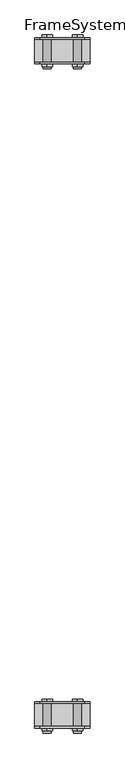
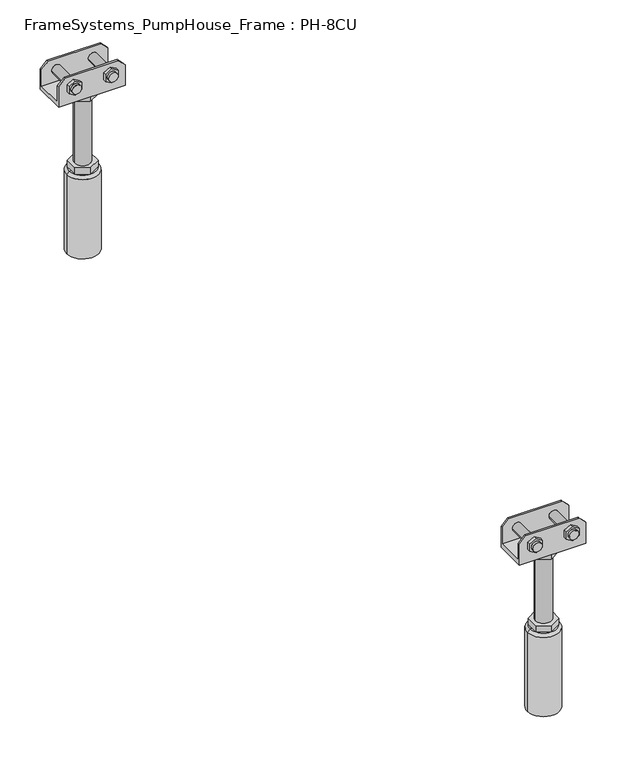
"""IFC4 building model written with IfcOpenShell, lengths in millimetres: beam geometry, FrameSystems_PumpHouse_Frame : PH-8CU."""

from ifc_helpers import new_model, si_unit, frame, origin, place, context, project, spatial, polyline, circle_curve, source, transform, mapped, element, save
from ifc_brep_helpers import plane_surface, cylinder_surface, revolved_surface, advanced_brep


def framesystems_pumphouse_frame_ph_8cu_9db55b4e(model_context):
    return source(origin(), model_context, "Body", "AdvancedBrep", [
        advanced_brep(
        [(1240.0, 1179.25, 316.0), (1250.0, 1179.25, 306.0), (1250.0, 1179.25, 280.0), (1150.0, 1179.25, 280.0), (1150.0, 1179.25, 306.0), (1160.0, 1179.25, 316.0), (1234.5, 1179.25, 299.0), (1220.5, 1179.25, 299.0), (1179.5, 1179.25, 299.0), (1165.5, 1179.25, 299.0), (1240.0, 1176.25, 316.0), (1160.0, 1176.25, 316.0), (1150.0, 1176.25, 306.0), (1150.0, 1176.25, 273.0), (1250.0, 1176.25, 273.0), (1250.0, 1176.25, 306.0), (1217.9194511, 1176.25, 293.4686675), (1217.9194511, 1176.25, 304.5313325), (1227.5, 1176.25, 310.062665), (1237.0805489, 1176.25, 304.5313325), (1237.0805489, 1176.25, 293.4686675), (1227.5, 1176.25, 287.937335), (1162.9194511, 1176.25, 293.4686675), (1162.9194511, 1176.25, 304.5313325), (1172.5, 1176.25, 310.062665), (1182.0805489, 1176.25, 304.5313325), (1182.0805489, 1176.25, 293.4686675), (1172.5, 1176.25, 287.937335), (1240.0, 1223.653247, 316.0), (1250.0, 1223.653247, 306.0), (1250.0, 1223.653247, 273.0), (1150.0, 1223.653247, 273.0), (1150.0, 1223.653247, 306.0), (1160.0, 1223.653247, 316.0), (1237.0805489, 1223.653247, 304.5313325), (1227.5, 1223.653247, 310.062665), (1217.9194511, 1223.653247, 304.5313325), (1217.9194511, 1223.653247, 293.4686675), (1227.5, 1223.653247, 287.937335), (1237.0805489, 1223.653247, 293.4686675), (1182.0805489, 1223.653247, 304.5313325), (1172.5, 1223.653247, 310.062665), (1162.9194511, 1223.653247, 304.5313325), (1162.9194511, 1223.653247, 293.4686675), (1172.5, 1223.653247, 287.937335), (1182.0805489, 1223.653247, 293.4686675), (1150.0, 1220.75, 280.0), (1150.0, 1220.75, 306.0), (1250.0, 1220.75, 280.0), (1250.0, 1220.75, 306.0), (1240.0, 1220.75, 316.0), (1160.0, 1220.75, 316.0), (1220.5, 1220.75, 299.0), (1234.5, 1220.75, 299.0), (1165.5, 1220.75, 299.0), (1179.5, 1220.75, 299.0), (1182.6794919, 1210.0, 273.0), (1182.6794919, 1190.0, 273.0), (1200.0, 1180.0, 273.0), (1217.3205081, 1190.0, 273.0), (1217.3205081, 1210.0, 273.0), (1200.0, 1220.0, 273.0), (1220.5, 1167.3051094, 299.0), (1234.5, 1167.3051094, 299.0), (1165.5, 1167.3051094, 299.0), (1179.5, 1167.3051094, 299.0), (1234.5, 1171.25, 299.0), (1220.5, 1171.25, 299.0), (1179.5, 1171.25, 299.0), (1165.5, 1171.25, 299.0), (1227.5, 1228.653247, 310.062665), (1237.0805489, 1228.653247, 304.5313325), (1237.0805489, 1228.653247, 293.4686675), (1227.5, 1228.653247, 287.937335), (1217.9194511, 1228.653247, 293.4686675), (1217.9194511, 1228.653247, 304.5313325), (1172.5, 1228.653247, 310.062665), (1182.0805489, 1228.653247, 304.5313325), (1182.0805489, 1228.653247, 293.4686675), (1172.5, 1228.653247, 287.937335), (1162.9194511, 1228.653247, 293.4686675), (1162.9194511, 1228.653247, 304.5313325), (1188.0, 1200.0, 263.0), (1188.0, 1200.0, 157.0), (1212.0, 1200.0, 157.0), (1212.0, 1200.0, 263.0), (1182.6794919, 1210.0, 263.0), (1200.0, 1220.0, 263.0), (1217.3205081, 1210.0, 263.0), (1217.3205081, 1190.0, 263.0), (1200.0, 1180.0, 263.0), (1182.6794919, 1190.0, 263.0), (1182.6794919, 1210.0, 157.0), (1182.6794919, 1190.0, 157.0), (1200.0, 1180.0, 157.0), (1217.3205081, 1190.0, 157.0), (1217.3205081, 1210.0, 157.0), (1200.0, 1220.0, 157.0), (1182.6794919, 1210.0, 147.0), (1182.6794919, 1200.0, 147.0), (1182.6794919, 1190.0, 147.0), (1200.0, 1180.0, 147.0), (1217.3205081, 1190.0, 147.0), (1217.3205081, 1200.0, 147.0), (1217.3205081, 1210.0, 147.0), (1200.0, 1220.0, 147.0), (1180.0, 1200.0, 147.0), (1220.0, 1200.0, 147.0), (1224.0, 1200.0, 143.0), (1176.0, 1200.0, 143.0), (1224.0, 1200.0, 17.0), (1176.0, 1200.0, 17.0), (1200.0, 1200.0, 17.0), (1217.9194511, 1171.25, 304.5313325), (1217.9194511, 1171.25, 293.4686675), (1227.5, 1171.25, 287.937335), (1237.0805489, 1171.25, 293.4686675), (1237.0805489, 1171.25, 304.5313325), (1227.5, 1171.25, 310.062665), (1162.9194511, 1171.25, 304.5313325), (1162.9194511, 1171.25, 293.4686675), (1172.5, 1171.25, 287.937335), (1182.0805489, 1171.25, 293.4686675), (1182.0805489, 1171.25, 304.5313325), (1172.5, 1171.25, 310.062665)],
        [
            (0, 1),
            (1, 2),
            (2, 3),
            (3, 4),
            (4, 5),
            (5, 0),
            (6, 7, circle_curve(frame((1227.5, 1179.25, 299.0), z_axis=(0.0, -1.0, 0.0), x_axis=(-1.0, 0.0, 0.0)), 7.0)),
            (7, 6, circle_curve(frame((1227.5, 1179.25, 299.0), z_axis=(0.0, -1.0, 0.0), x_axis=(-1.0, 0.0, 0.0)), 7.0)),
            (8, 9, circle_curve(frame((1172.5, 1179.25, 299.0), z_axis=(0.0, -1.0, 0.0), x_axis=(-1.0, 0.0, 0.0)), 7.0)),
            (9, 8, circle_curve(frame((1172.5, 1179.25, 299.0), z_axis=(0.0, -1.0, 0.0), x_axis=(-1.0, 0.0, 0.0)), 7.0)),
            (10, 11),
            (11, 12),
            (12, 13),
            (13, 14),
            (14, 15),
            (15, 10),
            (16, 17),
            (17, 18),
            (18, 19),
            (19, 20),
            (20, 21),
            (21, 16),
            (22, 23),
            (23, 24),
            (24, 25),
            (25, 26),
            (26, 27),
            (27, 22),
            (5, 11),
            (10, 0),
            (4, 12),
            (15, 1),
            (28, 29),
            (29, 30),
            (30, 31),
            (31, 32),
            (32, 33),
            (33, 28),
            (34, 35),
            (35, 36),
            (36, 37),
            (37, 38),
            (38, 39),
            (39, 34),
            (40, 41),
            (41, 42),
            (42, 43),
            (43, 44),
            (44, 45),
            (45, 40),
            (46, 47),
            (47, 32),
            (31, 13),
            (3, 46),
            (46, 48),
            (48, 49),
            (49, 50),
            (50, 51),
            (51, 47),
            (52, 53, circle_curve(frame((1227.5, 1220.75, 299.0), z_axis=(0.0, 1.0, 0.0), x_axis=(-1.0, 0.0, 0.0)), 7.0)),
            (53, 52, circle_curve(frame((1227.5, 1220.75, 299.0), z_axis=(0.0, 1.0, 0.0), x_axis=(-1.0, 0.0, 0.0)), 7.0)),
            (54, 55, circle_curve(frame((1172.5, 1220.75, 299.0), z_axis=(0.0, 1.0, 0.0), x_axis=(-1.0, 0.0, 0.0)), 7.0)),
            (55, 54, circle_curve(frame((1172.5, 1220.75, 299.0), z_axis=(0.0, 1.0, 0.0), x_axis=(-1.0, 0.0, 0.0)), 7.0)),
            (48, 2),
            (14, 30),
            (29, 49),
            (50, 28),
            (33, 51),
            (56, 57),
            (57, 58),
            (58, 59),
            (59, 60),
            (60, 61),
            (61, 56),
            (62, 63, circle_curve(frame((1227.5, 1167.3051094, 299.0), z_axis=(0.0, -1.0, 0.0), x_axis=(-1.0, 0.0, 0.0)), 7.0)),
            (63, 62, circle_curve(frame((1227.5, 1167.3051094, 299.0), z_axis=(0.0, -1.0, 0.0), x_axis=(-1.0, 0.0, 0.0)), 7.0)),
            (64, 65, circle_curve(frame((1172.5, 1167.3051094, 299.0), z_axis=(0.0, -1.0, 0.0), x_axis=(-1.0, 0.0, 0.0)), 7.0)),
            (65, 64, circle_curve(frame((1172.5, 1167.3051094, 299.0), z_axis=(0.0, -1.0, 0.0), x_axis=(-1.0, 0.0, 0.0)), 7.0)),
            (63, 66),
            (66, 67, circle_curve(frame((1227.5, 1171.25, 299.0), z_axis=(0.0, -1.0, 0.0), x_axis=(-1.0, 0.0, 0.0)), 7.0)),
            (67, 62),
            (6, 53),
            (52, 7),
            (67, 66, circle_curve(frame((1227.5, 1171.25, 299.0), z_axis=(0.0, -1.0, 0.0), x_axis=(-1.0, 0.0, 0.0)), 7.0)),
            (65, 68),
            (68, 69, circle_curve(frame((1172.5, 1171.25, 299.0), z_axis=(0.0, -1.0, 0.0), x_axis=(-1.0, 0.0, 0.0)), 7.0)),
            (69, 64),
            (8, 55),
            (54, 9),
            (69, 68, circle_curve(frame((1172.5, 1171.25, 299.0), z_axis=(0.0, -1.0, 0.0), x_axis=(-1.0, 0.0, 0.0)), 7.0)),
            (70, 71),
            (71, 72),
            (72, 73),
            (73, 74),
            (74, 75),
            (75, 70),
            (76, 77),
            (77, 78),
            (78, 79),
            (79, 80),
            (80, 81),
            (81, 76),
            (70, 35),
            (34, 71),
            (39, 72),
            (38, 73),
            (37, 74),
            (36, 75),
            (76, 41),
            (40, 77),
            (45, 78),
            (44, 79),
            (43, 80),
            (42, 81),
            (82, 83),
            (83, 84, circle_curve(frame((1200.0, 1200.0, 157.0), z_axis=(0.0, 0.0, 1.0), x_axis=(1.0, 0.0, 0.0)), 12.0)),
            (84, 85),
            (85, 82, circle_curve(frame((1200.0, 1200.0, 263.0), z_axis=(0.0, 0.0, -1.0), x_axis=(1.0, 0.0, 0.0)), 12.0)),
            (82, 85, circle_curve(frame((1200.0, 1200.0, 263.0), z_axis=(0.0, 0.0, -1.0), x_axis=(1.0, 0.0, 0.0)), 12.0)),
            (84, 83, circle_curve(frame((1200.0, 1200.0, 157.0), z_axis=(0.0, 0.0, 1.0), x_axis=(1.0, 0.0, 0.0)), 12.0)),
            (86, 87),
            (87, 88),
            (88, 89),
            (89, 90),
            (90, 91),
            (91, 86),
            (91, 57),
            (56, 86),
            (90, 58),
            (89, 59),
            (88, 60),
            (87, 61),
            (92, 93),
            (93, 94),
            (94, 95),
            (95, 96),
            (96, 97),
            (97, 92),
            (92, 98),
            (98, 99),
            (99, 100),
            (100, 93),
            (100, 101),
            (101, 94),
            (101, 102),
            (102, 95),
            (102, 103),
            (103, 104),
            (104, 96),
            (104, 105),
            (105, 97),
            (105, 98),
            (98, 106, circle_curve(frame((1200.0, 1200.0, 147.0), z_axis=(0.0, 0.0, 1.0), x_axis=(-1.0, 0.0, 0.0)), 20.0)),
            (106, 99),
            (105, 98, circle_curve(frame((1200.0, 1200.0, 147.0), z_axis=(0.0, 0.0, 1.0), x_axis=(-1.0, 0.0, 0.0)), 20.0)),
            (104, 105, circle_curve(frame((1200.0, 1200.0, 147.0), z_axis=(0.0, 0.0, 1.0), x_axis=(-1.0, 0.0, 0.0)), 20.0)),
            (107, 104, circle_curve(frame((1200.0, 1200.0, 147.0), z_axis=(0.0, 0.0, 1.0), x_axis=(-1.0, 0.0, 0.0)), 20.0)),
            (103, 107),
            (102, 107, circle_curve(frame((1200.0, 1200.0, 147.0), z_axis=(0.0, 0.0, 1.0), x_axis=(-1.0, 0.0, 0.0)), 20.0)),
            (101, 102, circle_curve(frame((1200.0, 1200.0, 147.0), z_axis=(0.0, 0.0, 1.0), x_axis=(-1.0, 0.0, 0.0)), 20.0)),
            (100, 101, circle_curve(frame((1200.0, 1200.0, 147.0), z_axis=(0.0, 0.0, 1.0), x_axis=(-1.0, 0.0, 0.0)), 20.0)),
            (106, 100, circle_curve(frame((1200.0, 1200.0, 147.0), z_axis=(0.0, 0.0, 1.0), x_axis=(-1.0, 0.0, 0.0)), 20.0)),
            (108, 109, circle_curve(frame((1200.0, 1200.0, 143.0), z_axis=(0.0, 0.0, 1.0), x_axis=(-1.0, 0.0, 0.0)), 24.0)),
            (109, 106),
            (107, 108),
            (109, 108, circle_curve(frame((1200.0, 1200.0, 143.0), z_axis=(0.0, 0.0, 1.0), x_axis=(-1.0, 0.0, 0.0)), 24.0)),
            (108, 110),
            (110, 111, circle_curve(frame((1200.0, 1200.0, 17.0), z_axis=(0.0, 0.0, 1.0), x_axis=(-1.0, 0.0, 0.0)), 24.0)),
            (111, 109),
            (111, 110, circle_curve(frame((1200.0, 1200.0, 17.0), z_axis=(0.0, 0.0, 1.0), x_axis=(-1.0, 0.0, 0.0)), 24.0)),
            (110, 112),
            (112, 111),
            (113, 114),
            (114, 115),
            (115, 116),
            (116, 117),
            (117, 118),
            (118, 113),
            (113, 17),
            (16, 114),
            (21, 115),
            (20, 116),
            (19, 117),
            (18, 118),
            (119, 120),
            (120, 121),
            (121, 122),
            (122, 123),
            (123, 124),
            (124, 119),
            (119, 23),
            (22, 120),
            (27, 121),
            (26, 122),
            (25, 123),
            (24, 124),
        ],
        [
            plane_surface(frame((1184.0150941, 1179.25, 316.0), z_axis=(0.0, 1.0, 0.0), x_axis=(1.0, 0.0, 0.0))),
            plane_surface(frame((1184.0150941, 1176.25, 316.0), z_axis=(0.0, -1.0, 0.0), x_axis=(-1.0, 0.0, 0.0))),
            plane_surface(frame((1240.0, 1176.25, 316.0), z_axis=(0.0, 0.0, 1.0), x_axis=(0.0, 1.0, 0.0))),
            plane_surface(frame((1160.0, 1176.25, 316.0), z_axis=(-0.7071067811865467, 0.0, 0.7071067811865485), x_axis=(0.0, 1.0, 0.0))),
            plane_surface(frame((1250.0, 1176.25, 306.0), z_axis=(0.7071067811865488, 0.0, 0.7071067811865464), x_axis=(0.0, 1.0, 0.0))),
            plane_surface(frame((1250.0, 1223.653247, 306.0), z_axis=(0.0, 1.0, 0.0), x_axis=(0.0, 0.0, -1.0))),
            plane_surface(frame((1150.0, 1223.653247, 306.0), z_axis=(-1.0, 0.0, 0.0), x_axis=(0.0, 0.0, -1.0))),
            plane_surface(frame((1150.0, 1220.75, 306.0), z_axis=(0.0, -1.0, 0.0), x_axis=(0.0, 0.0, -1.0))),
            plane_surface(frame((1250.0, 1220.75, 306.0), z_axis=(1.0, 0.0, 0.0), x_axis=(0.0, 0.0, -1.0))),
            plane_surface(frame((1160.0, 1223.75, 316.0), z_axis=(0.0, 0.0, 1.0), x_axis=(0.0, -1.0, 0.0))),
            plane_surface(frame((1150.0, 1223.75, 306.0), z_axis=(-0.7071067811865467, 0.0, 0.7071067811865485), x_axis=(0.0, -1.0, 0.0))),
            plane_surface(frame((1240.0, 1223.75, 316.0), z_axis=(0.7071067811865493, 0.0, 0.7071067811865457), x_axis=(0.0, -1.0, 0.0))),
            plane_surface(frame((1200.0, 1223.75, 280.0), z_axis=(0.0, 0.0, 1.0), x_axis=(-1.0, 0.0, 0.0))),
            plane_surface(frame((1200.0, 1223.75, 273.0), z_axis=(0.0, 0.0, -1.0), x_axis=(1.0, 0.0, 0.0))),
            plane_surface(frame((1220.5, 1167.3051094, 299.0), z_axis=(0.0, -1.0, 0.0), x_axis=(0.0, 0.0, -1.0))),
            cylinder_surface(frame((1227.5, 1167.3051094, 299.0), z_axis=(0.0, 1.0, 0.0), x_axis=(-1.0, 0.0, 0.0)), 7.0),
            cylinder_surface(frame((1172.5, 1223.653247, 299.0), z_axis=(0.0, 1.0, 0.0), x_axis=(-1.0, 0.0, 0.0)), 7.0),
            plane_surface(frame((1227.5, 1228.653247, 310.062665), z_axis=(0.0, 1.0000000000000002, 0.0), x_axis=(0.8660254037844375, 0.0, -0.5000000000000022))),
            plane_surface(frame((1227.5, 1228.653247, 310.062665), z_axis=(0.5000000000000022, 0.0, 0.8660254037844375), x_axis=(0.0, -1.0, 0.0))),
            plane_surface(frame((1237.0805489, 1228.653247, 304.5313325), z_axis=(1.0, 0.0, 0.0), x_axis=(0.0, -1.0, 0.0))),
            plane_surface(frame((1237.0805489, 1228.653247, 293.4686675), z_axis=(0.4999999999999969, 0.0, -0.8660254037844405), x_axis=(0.0, -1.0, 0.0))),
            plane_surface(frame((1227.5, 1228.653247, 287.937335), z_axis=(-0.5000000000000034, 0.0, -0.8660254037844367), x_axis=(0.0, -1.0, 0.0))),
            plane_surface(frame((1217.9194511, 1228.653247, 293.4686675), z_axis=(-1.0, 0.0, 0.0), x_axis=(0.0, -1.0, 0.0))),
            plane_surface(frame((1217.9194511, 1228.653247, 304.5313325), z_axis=(-0.49999999999999684, 0.0, 0.8660254037844405), x_axis=(0.0, -1.0, 0.0))),
            plane_surface(frame((1172.5, 1228.653247, 310.062665), z_axis=(0.5000000000000023, 0.0, 0.8660254037844374), x_axis=(0.0, -1.0, 0.0))),
            plane_surface(frame((1182.0805489, 1228.653247, 304.5313325), z_axis=(1.0, 0.0, 0.0), x_axis=(0.0, -1.0, 0.0))),
            plane_surface(frame((1182.0805489, 1228.653247, 293.4686675), z_axis=(0.4999999999999969, 0.0, -0.8660254037844405), x_axis=(0.0, -1.0, 0.0))),
            plane_surface(frame((1172.5, 1228.653247, 287.937335), z_axis=(-0.5000000000000033, 0.0, -0.8660254037844368), x_axis=(0.0, -1.0, 0.0))),
            plane_surface(frame((1162.9194511, 1228.653247, 293.4686675), z_axis=(-1.0, 0.0, 0.0), x_axis=(0.0, -1.0, 0.0))),
            plane_surface(frame((1162.9194511, 1228.653247, 304.5313325), z_axis=(-0.4999999999999967, 0.0, 0.8660254037844405), x_axis=(0.0, -1.0, 0.0))),
            cylinder_surface(frame((1200.0, 1200.0, 157.0), z_axis=(0.0, 0.0, 1.0), x_axis=(1.0, 0.0, 0.0)), 12.0),
            plane_surface(frame((1182.6794919, 1210.0, 263.0), z_axis=(0.0, 0.0, -1.0), x_axis=(0.0, 1.0, 0.0))),
            plane_surface(frame((1182.6794919, 1210.0, 273.0), z_axis=(-1.0, 0.0, 0.0), x_axis=(0.0, 0.0, -1.0))),
            plane_surface(frame((1182.6794919, 1190.0, 273.0), z_axis=(-0.5000000000000034, -0.8660254037844367, 0.0), x_axis=(0.0, 0.0, -1.0))),
            plane_surface(frame((1200.0, 1180.0, 273.0), z_axis=(0.4999999999999958, -0.8660254037844412, 0.0), x_axis=(0.0, 0.0, -1.0))),
            plane_surface(frame((1217.3205081, 1190.0, 273.0), z_axis=(1.0, 0.0, 0.0), x_axis=(0.0, 0.0, -1.0))),
            plane_surface(frame((1217.3205081, 1210.0, 273.0), z_axis=(0.5000000000000064, 0.866025403784435, 0.0), x_axis=(0.0, 0.0, -1.0))),
            plane_surface(frame((1200.0, 1220.0, 273.0), z_axis=(-0.4999999999999984, 0.8660254037844396, 0.0), x_axis=(0.0, 0.0, -1.0))),
            plane_surface(frame((1182.6794919, 1210.0, 157.0), z_axis=(0.0, 0.0, 1.0), x_axis=(0.0, -1.0, 0.0))),
            plane_surface(frame((1182.6794919, 1210.0, 157.0), z_axis=(-1.0, 0.0, 0.0), x_axis=(0.0, 0.0, -1.0))),
            plane_surface(frame((1182.6794919, 1190.0, 157.0), z_axis=(-0.5000000000000034, -0.8660254037844367, 0.0), x_axis=(0.0, 0.0, -1.0))),
            plane_surface(frame((1200.0, 1180.0, 157.0), z_axis=(0.49999999999999545, -0.8660254037844413, 0.0), x_axis=(0.0, 0.0, -1.0))),
            plane_surface(frame((1217.3205081, 1190.0, 157.0), z_axis=(1.0, 0.0, 0.0), x_axis=(0.0, 0.0, -1.0))),
            plane_surface(frame((1217.3205081, 1210.0, 157.0), z_axis=(0.5000000000000064, 0.866025403784435, 0.0), x_axis=(0.0, 0.0, -1.0))),
            plane_surface(frame((1200.0, 1220.0, 157.0), z_axis=(-0.49999999999999845, 0.8660254037844396, 0.0), x_axis=(0.0, 0.0, -1.0))),
            plane_surface(frame((1200.0, 1200.0, 147.0), z_axis=(0.0, 0.0, 1.0), x_axis=(-1.0, 0.0, 0.0))),
            revolved_surface(polyline([(1180.0, 1200.0, 147.0), (1176.0, 1200.0, 143.0)]), (1200.0, 1200.0, 172.0), (0.0, 0.0, -1.0)),
            cylinder_surface(frame((1200.0, 1200.0, 172.0), z_axis=(0.0, 0.0, -1.0), x_axis=(-1.0, 0.0, 0.0)), 24.0),
            plane_surface(frame((1200.0, 1200.0, 17.0), z_axis=(0.0, 0.0, -1.0), x_axis=(-1.0, 0.0, 0.0))),
            plane_surface(frame((1217.9194511, 1171.25, 304.5313325), z_axis=(0.0, -1.0, 0.0), x_axis=(0.0, 0.0, -1.0))),
            plane_surface(frame((1217.9194511, 1171.25, 304.5313325), z_axis=(-1.0, 0.0, 0.0), x_axis=(0.0, 1.0, 0.0))),
            plane_surface(frame((1217.9194511, 1171.25, 293.4686675), z_axis=(-0.500000000000003, 0.0, -0.866025403784437), x_axis=(0.0, 1.0, 0.0))),
            plane_surface(frame((1227.5, 1171.25, 287.937335), z_axis=(0.4999999999999972, 0.0, -0.8660254037844403), x_axis=(0.0, 1.0, 0.0))),
            plane_surface(frame((1237.0805489, 1171.25, 293.4686675), z_axis=(1.0, 0.0, 0.0), x_axis=(0.0, 1.0, 0.0))),
            plane_surface(frame((1237.0805489, 1171.25, 304.5313325), z_axis=(0.500000000000003, 0.0, 0.8660254037844369), x_axis=(0.0, 1.0, 0.0))),
            plane_surface(frame((1227.5, 1171.25, 310.062665), z_axis=(-0.49999999999999617, 0.0, 0.8660254037844409), x_axis=(0.0, 1.0, 0.0))),
            plane_surface(frame((1162.9194511, 1171.25, 304.5313325), z_axis=(0.0, -1.0, 0.0), x_axis=(0.0, 0.0, -1.0))),
            plane_surface(frame((1162.9194511, 1171.25, 304.5313325), z_axis=(-1.0, 0.0, 0.0), x_axis=(0.0, 1.0, 0.0))),
            plane_surface(frame((1162.9194511, 1171.25, 293.4686675), z_axis=(-0.5000000000000031, 0.0, -0.8660254037844368), x_axis=(0.0, 1.0, 0.0))),
            plane_surface(frame((1172.5, 1171.25, 287.937335), z_axis=(0.49999999999999717, 0.0, -0.8660254037844404), x_axis=(0.0, 1.0, 0.0))),
            plane_surface(frame((1182.0805489, 1171.25, 293.4686675), z_axis=(1.0, 0.0, 0.0), x_axis=(0.0, 1.0, 0.0))),
            plane_surface(frame((1182.0805489, 1171.25, 304.5313325), z_axis=(0.500000000000003, 0.0, 0.8660254037844369), x_axis=(0.0, 1.0, 0.0))),
            plane_surface(frame((1172.5, 1171.25, 310.062665), z_axis=(-0.4999999999999963, 0.0, 0.8660254037844408), x_axis=(0.0, 1.0, 0.0))),
        ],
        [
            (0, [[1, 2, 3, 4, 5, 6], [7, 8], [9, 10]]),
            (1, [[11, 12, 13, 14, 15, 16], [17, 18, 19, 20, 21, 22], [23, 24, 25, 26, 27, 28]]),
            (2, [[-6, 29, -11, 30]]),
            (3, [[-5, 31, -12, -29]]),
            (4, [[-1, -30, -16, 32]]),
            (5, [[33, 34, 35, 36, 37, 38], [39, 40, 41, 42, 43, 44], [45, 46, 47, 48, 49, 50]]),
            (6, [[51, 52, -36, 53, -13, -31, -4, 54]]),
            (7, [[-51, 55, 56, 57, 58, 59], [60, 61], [62, 63]]),
            (8, [[-56, 64, -2, -32, -15, 65, -34, 66]]),
            (9, [[-58, 67, -38, 68]]),
            (10, [[-59, -68, -37, -52]]),
            (11, [[-57, -66, -33, -67]]),
            (12, [[-64, -55, -54, -3]]),
            (13, [[-65, -14, -53, -35], [69, 70, 71, 72, 73, 74]]),
            (14, [[75, 76]]),
            (14, [[77, 78]]),
            (15, [[-76, 79, 80, 81]]),
            (15, [[82, -60, 83, -7]]),
            (15, [[-75, -81, 84, -79]]),
            (15, [[-82, -8, -83, -61]]),
            (16, [[-78, 85, 86, 87]]),
            (16, [[88, -62, 89, -9]]),
            (16, [[-77, -87, 90, -85]]),
            (16, [[-88, -10, -89, -63]]),
            (17, [[91, 92, 93, 94, 95, 96]]),
            (17, [[97, 98, 99, 100, 101, 102]]),
            (18, [[-91, 103, -39, 104]]),
            (19, [[-92, -104, -44, 105]]),
            (20, [[-93, -105, -43, 106]]),
            (21, [[-94, -106, -42, 107]]),
            (22, [[-95, -107, -41, 108]]),
            (23, [[-96, -108, -40, -103]]),
            (24, [[-97, 109, -45, 110]]),
            (25, [[-98, -110, -50, 111]]),
            (26, [[-99, -111, -49, 112]]),
            (27, [[-100, -112, -48, 113]]),
            (28, [[-101, -113, -47, 114]]),
            (29, [[-102, -114, -46, -109]]),
            (30, [[115, 116, 117, 118]]),
            (30, [[-115, 119, -117, 120]]),
            (31, [[121, 122, 123, 124, 125, 126], [-118, -119]]),
            (32, [[-126, 127, -69, 128]]),
            (33, [[-125, 129, -70, -127]]),
            (34, [[-124, 130, -71, -129]]),
            (35, [[-123, 131, -72, -130]]),
            (36, [[-122, 132, -73, -131]]),
            (37, [[-121, -128, -74, -132]]),
            (38, [[133, 134, 135, 136, 137, 138], [-116, -120]]),
            (39, [[-133, 139, 140, 141, 142]]),
            (40, [[-134, -142, 143, 144]]),
            (41, [[-135, -144, 145, 146]]),
            (42, [[-136, -146, 147, 148, 149]]),
            (43, [[-137, -149, 150, 151]]),
            (44, [[-138, -151, 152, -139]]),
            (45, [[153, 154, -140]]),
            (45, [[155, -152]]),
            (45, [[156, -150]]),
            (45, [[157, -148, 158]]),
            (45, [[159, -158, -147]]),
            (45, [[160, -145]]),
            (45, [[161, -143]]),
            (45, [[162, -141, -154]]),
            (46, [[163, 164, -153, -155, -156, -157, 165]]),
            (46, [[-164, 166, -165, -159, -160, -161, -162]]),
            (47, [[-163, 167, 168, 169]]),
            (47, [[-166, -169, 170, -167]]),
            (48, [[-168, 171, 172]]),
            (48, [[-170, -172, -171]]),
            (49, [[173, 174, 175, 176, 177, 178], [-80, -84]]),
            (50, [[-173, 179, -17, 180]]),
            (51, [[-174, -180, -22, 181]]),
            (52, [[-175, -181, -21, 182]]),
            (53, [[-176, -182, -20, 183]]),
            (54, [[-177, -183, -19, 184]]),
            (55, [[-178, -184, -18, -179]]),
            (56, [[185, 186, 187, 188, 189, 190], [-86, -90]]),
            (57, [[-185, 191, -23, 192]]),
            (58, [[-186, -192, -28, 193]]),
            (59, [[-187, -193, -27, 194]]),
            (60, [[-188, -194, -26, 195]]),
            (61, [[-189, -195, -25, 196]]),
            (62, [[-190, -196, -24, -191]]),
        ],
    ),
        advanced_brep(
        [(1240.0, -20.75, 316.0), (1250.0, -20.75, 306.0), (1250.0, -20.75, 280.0), (1150.0, -20.75, 280.0), (1150.0, -20.75, 306.0), (1160.0, -20.75, 316.0), (1234.5, -20.75, 299.0), (1220.5, -20.75, 299.0), (1179.5, -20.75, 299.0), (1165.5, -20.75, 299.0), (1240.0, -23.75, 316.0), (1160.0, -23.75, 316.0), (1150.0, -23.75, 306.0), (1150.0, -23.75, 273.0), (1250.0, -23.75, 273.0), (1250.0, -23.75, 306.0), (1217.9194511, -23.75, 293.4686675), (1217.9194511, -23.75, 304.5313325), (1227.5, -23.75, 310.062665), (1237.0805489, -23.75, 304.5313325), (1237.0805489, -23.75, 293.4686675), (1227.5, -23.75, 287.937335), (1162.9194511, -23.75, 293.4686675), (1162.9194511, -23.75, 304.5313325), (1172.5, -23.75, 310.062665), (1182.0805489, -23.75, 304.5313325), (1182.0805489, -23.75, 293.4686675), (1172.5, -23.75, 287.937335), (1240.0, 23.653247, 316.0), (1250.0, 23.653247, 306.0), (1250.0, 23.653247, 273.0), (1150.0, 23.653247, 273.0), (1150.0, 23.653247, 306.0), (1160.0, 23.653247, 316.0), (1237.0805489, 23.653247, 304.5313325), (1227.5, 23.653247, 310.062665), (1217.9194511, 23.653247, 304.5313325), (1217.9194511, 23.653247, 293.4686675), (1227.5, 23.653247, 287.937335), (1237.0805489, 23.653247, 293.4686675), (1182.0805489, 23.653247, 304.5313325), (1172.5, 23.653247, 310.062665), (1162.9194511, 23.653247, 304.5313325), (1162.9194511, 23.653247, 293.4686675), (1172.5, 23.653247, 287.937335), (1182.0805489, 23.653247, 293.4686675), (1150.0, 20.75, 280.0), (1150.0, 20.75, 306.0), (1250.0, 20.75, 280.0), (1250.0, 20.75, 306.0), (1240.0, 20.75, 316.0), (1160.0, 20.75, 316.0), (1220.5, 20.75, 299.0), (1234.5, 20.75, 299.0), (1165.5, 20.75, 299.0), (1179.5, 20.75, 299.0), (1182.6794919, 10.0, 273.0), (1182.6794919, -10.0, 273.0), (1200.0, -20.0, 273.0), (1217.3205081, -10.0, 273.0), (1217.3205081, 10.0, 273.0), (1200.0, 20.0, 273.0), (1220.5, -32.6948906, 299.0), (1234.5, -32.6948906, 299.0), (1165.5, -32.6948906, 299.0), (1179.5, -32.6948906, 299.0), (1234.5, -28.75, 299.0), (1220.5, -28.75, 299.0), (1179.5, -28.75, 299.0), (1165.5, -28.75, 299.0), (1227.5, 28.653247, 310.062665), (1237.0805489, 28.653247, 304.5313325), (1237.0805489, 28.653247, 293.4686675), (1227.5, 28.653247, 287.937335), (1217.9194511, 28.653247, 293.4686675), (1217.9194511, 28.653247, 304.5313325), (1172.5, 28.653247, 310.062665), (1182.0805489, 28.653247, 304.5313325), (1182.0805489, 28.653247, 293.4686675), (1172.5, 28.653247, 287.937335), (1162.9194511, 28.653247, 293.4686675), (1162.9194511, 28.653247, 304.5313325), (1188.0, 0.0, 263.0), (1188.0, 0.0, 157.0), (1212.0, 0.0, 157.0), (1212.0, 0.0, 263.0), (1182.6794919, 10.0, 263.0), (1200.0, 20.0, 263.0), (1217.3205081, 10.0, 263.0), (1217.3205081, -10.0, 263.0), (1200.0, -20.0, 263.0), (1182.6794919, -10.0, 263.0), (1182.6794919, 10.0, 157.0), (1182.6794919, -10.0, 157.0), (1200.0, -20.0, 157.0), (1217.3205081, -10.0, 157.0), (1217.3205081, 10.0, 157.0), (1200.0, 20.0, 157.0), (1182.6794919, 10.0, 147.0), (1182.6794919, 0.0, 147.0), (1182.6794919, -10.0, 147.0), (1200.0, -20.0, 147.0), (1217.3205081, -10.0, 147.0), (1217.3205081, 0.0, 147.0), (1217.3205081, 10.0, 147.0), (1200.0, 20.0, 147.0), (1180.0, 0.0, 147.0), (1220.0, 0.0, 147.0), (1224.0, 0.0, 143.0), (1176.0, 0.0, 143.0), (1224.0, 0.0, 17.0), (1176.0, 0.0, 17.0), (1200.0, 0.0, 17.0), (1217.9194511, -28.75, 304.5313325), (1217.9194511, -28.75, 293.4686675), (1227.5, -28.75, 287.937335), (1237.0805489, -28.75, 293.4686675), (1237.0805489, -28.75, 304.5313325), (1227.5, -28.75, 310.062665), (1162.9194511, -28.75, 304.5313325), (1162.9194511, -28.75, 293.4686675), (1172.5, -28.75, 287.937335), (1182.0805489, -28.75, 293.4686675), (1182.0805489, -28.75, 304.5313325), (1172.5, -28.75, 310.062665)],
        [
            (0, 1),
            (1, 2),
            (2, 3),
            (3, 4),
            (4, 5),
            (5, 0),
            (6, 7, circle_curve(frame((1227.5, -20.75, 299.0), z_axis=(0.0, -1.0, 0.0), x_axis=(-1.0, 0.0, 0.0)), 7.0)),
            (7, 6, circle_curve(frame((1227.5, -20.75, 299.0), z_axis=(0.0, -1.0, 0.0), x_axis=(-1.0, 0.0, 0.0)), 7.0)),
            (8, 9, circle_curve(frame((1172.5, -20.75, 299.0), z_axis=(0.0, -1.0, 0.0), x_axis=(-1.0, 0.0, 0.0)), 7.0)),
            (9, 8, circle_curve(frame((1172.5, -20.75, 299.0), z_axis=(0.0, -1.0, 0.0), x_axis=(-1.0, 0.0, 0.0)), 7.0)),
            (10, 11),
            (11, 12),
            (12, 13),
            (13, 14),
            (14, 15),
            (15, 10),
            (16, 17),
            (17, 18),
            (18, 19),
            (19, 20),
            (20, 21),
            (21, 16),
            (22, 23),
            (23, 24),
            (24, 25),
            (25, 26),
            (26, 27),
            (27, 22),
            (5, 11),
            (10, 0),
            (4, 12),
            (15, 1),
            (28, 29),
            (29, 30),
            (30, 31),
            (31, 32),
            (32, 33),
            (33, 28),
            (34, 35),
            (35, 36),
            (36, 37),
            (37, 38),
            (38, 39),
            (39, 34),
            (40, 41),
            (41, 42),
            (42, 43),
            (43, 44),
            (44, 45),
            (45, 40),
            (46, 47),
            (47, 32),
            (31, 13),
            (3, 46),
            (46, 48),
            (48, 49),
            (49, 50),
            (50, 51),
            (51, 47),
            (52, 53, circle_curve(frame((1227.5, 20.75, 299.0), z_axis=(0.0, 1.0, 0.0), x_axis=(-1.0, 0.0, 0.0)), 7.0)),
            (53, 52, circle_curve(frame((1227.5, 20.75, 299.0), z_axis=(0.0, 1.0, 0.0), x_axis=(-1.0, 0.0, 0.0)), 7.0)),
            (54, 55, circle_curve(frame((1172.5, 20.75, 299.0), z_axis=(0.0, 1.0, 0.0), x_axis=(-1.0, 0.0, 0.0)), 7.0)),
            (55, 54, circle_curve(frame((1172.5, 20.75, 299.0), z_axis=(0.0, 1.0, 0.0), x_axis=(-1.0, 0.0, 0.0)), 7.0)),
            (48, 2),
            (14, 30),
            (29, 49),
            (50, 28),
            (33, 51),
            (56, 57),
            (57, 58),
            (58, 59),
            (59, 60),
            (60, 61),
            (61, 56),
            (62, 63, circle_curve(frame((1227.5, -32.6948906, 299.0), z_axis=(0.0, -1.0, 0.0), x_axis=(-1.0, 0.0, 0.0)), 7.0)),
            (63, 62, circle_curve(frame((1227.5, -32.6948906, 299.0), z_axis=(0.0, -1.0, 0.0), x_axis=(-1.0, 0.0, 0.0)), 7.0)),
            (64, 65, circle_curve(frame((1172.5, -32.6948906, 299.0), z_axis=(0.0, -1.0, 0.0), x_axis=(-1.0, 0.0, 0.0)), 7.0)),
            (65, 64, circle_curve(frame((1172.5, -32.6948906, 299.0), z_axis=(0.0, -1.0, 0.0), x_axis=(-1.0, 0.0, 0.0)), 7.0)),
            (63, 66),
            (66, 67, circle_curve(frame((1227.5, -28.75, 299.0), z_axis=(0.0, -1.0, 0.0), x_axis=(-1.0, 0.0, 0.0)), 7.0)),
            (67, 62),
            (6, 53),
            (52, 7),
            (67, 66, circle_curve(frame((1227.5, -28.75, 299.0), z_axis=(0.0, -1.0, 0.0), x_axis=(-1.0, 0.0, 0.0)), 7.0)),
            (65, 68),
            (68, 69, circle_curve(frame((1172.5, -28.75, 299.0), z_axis=(0.0, -1.0, 0.0), x_axis=(-1.0, 0.0, 0.0)), 7.0)),
            (69, 64),
            (8, 55),
            (54, 9),
            (69, 68, circle_curve(frame((1172.5, -28.75, 299.0), z_axis=(0.0, -1.0, 0.0), x_axis=(-1.0, 0.0, 0.0)), 7.0)),
            (70, 71),
            (71, 72),
            (72, 73),
            (73, 74),
            (74, 75),
            (75, 70),
            (76, 77),
            (77, 78),
            (78, 79),
            (79, 80),
            (80, 81),
            (81, 76),
            (70, 35),
            (34, 71),
            (39, 72),
            (38, 73),
            (37, 74),
            (36, 75),
            (76, 41),
            (40, 77),
            (45, 78),
            (44, 79),
            (43, 80),
            (42, 81),
            (82, 83),
            (83, 84, circle_curve(frame((1200.0, 0.0, 157.0), z_axis=(0.0, 0.0, 1.0), x_axis=(1.0, 0.0, 0.0)), 12.0)),
            (84, 85),
            (85, 82, circle_curve(frame((1200.0, 0.0, 263.0), z_axis=(0.0, 0.0, -1.0), x_axis=(1.0, 0.0, 0.0)), 12.0)),
            (82, 85, circle_curve(frame((1200.0, 0.0, 263.0), z_axis=(0.0, 0.0, -1.0), x_axis=(1.0, 0.0, 0.0)), 12.0)),
            (84, 83, circle_curve(frame((1200.0, 0.0, 157.0), z_axis=(0.0, 0.0, 1.0), x_axis=(1.0, 0.0, 0.0)), 12.0)),
            (86, 87),
            (87, 88),
            (88, 89),
            (89, 90),
            (90, 91),
            (91, 86),
            (91, 57),
            (56, 86),
            (90, 58),
            (89, 59),
            (88, 60),
            (87, 61),
            (92, 93),
            (93, 94),
            (94, 95),
            (95, 96),
            (96, 97),
            (97, 92),
            (92, 98),
            (98, 99),
            (99, 100),
            (100, 93),
            (100, 101),
            (101, 94),
            (101, 102),
            (102, 95),
            (102, 103),
            (103, 104),
            (104, 96),
            (104, 105),
            (105, 97),
            (105, 98),
            (98, 106, circle_curve(frame((1200.0, 0.0, 147.0), z_axis=(0.0, 0.0, 1.0), x_axis=(-1.0, 0.0, 0.0)), 20.0)),
            (106, 99),
            (105, 98, circle_curve(frame((1200.0, 0.0, 147.0), z_axis=(0.0, 0.0, 1.0), x_axis=(-1.0, 0.0, 0.0)), 20.0)),
            (104, 105, circle_curve(frame((1200.0, 0.0, 147.0), z_axis=(0.0, 0.0, 1.0), x_axis=(-1.0, 0.0, 0.0)), 20.0)),
            (107, 104, circle_curve(frame((1200.0, 0.0, 147.0), z_axis=(0.0, 0.0, 1.0), x_axis=(-1.0, 0.0, 0.0)), 20.0)),
            (103, 107),
            (102, 107, circle_curve(frame((1200.0, 0.0, 147.0), z_axis=(0.0, 0.0, 1.0), x_axis=(-1.0, 0.0, 0.0)), 20.0)),
            (101, 102, circle_curve(frame((1200.0, 0.0, 147.0), z_axis=(0.0, 0.0, 1.0), x_axis=(-1.0, 0.0, 0.0)), 20.0)),
            (100, 101, circle_curve(frame((1200.0, 0.0, 147.0), z_axis=(0.0, 0.0, 1.0), x_axis=(-1.0, 0.0, 0.0)), 20.0)),
            (106, 100, circle_curve(frame((1200.0, 0.0, 147.0), z_axis=(0.0, 0.0, 1.0), x_axis=(-1.0, 0.0, 0.0)), 20.0)),
            (108, 109, circle_curve(frame((1200.0, 0.0, 143.0), z_axis=(0.0, 0.0, 1.0), x_axis=(-1.0, 0.0, 0.0)), 24.0)),
            (109, 106),
            (107, 108),
            (109, 108, circle_curve(frame((1200.0, 0.0, 143.0), z_axis=(0.0, 0.0, 1.0), x_axis=(-1.0, 0.0, 0.0)), 24.0)),
            (108, 110),
            (110, 111, circle_curve(frame((1200.0, 0.0, 17.0), z_axis=(0.0, 0.0, 1.0), x_axis=(-1.0, 0.0, 0.0)), 24.0)),
            (111, 109),
            (111, 110, circle_curve(frame((1200.0, 0.0, 17.0), z_axis=(0.0, 0.0, 1.0), x_axis=(-1.0, 0.0, 0.0)), 24.0)),
            (110, 112),
            (112, 111),
            (113, 114),
            (114, 115),
            (115, 116),
            (116, 117),
            (117, 118),
            (118, 113),
            (113, 17),
            (16, 114),
            (21, 115),
            (20, 116),
            (19, 117),
            (18, 118),
            (119, 120),
            (120, 121),
            (121, 122),
            (122, 123),
            (123, 124),
            (124, 119),
            (119, 23),
            (22, 120),
            (27, 121),
            (26, 122),
            (25, 123),
            (24, 124),
        ],
        [
            plane_surface(frame((1184.0150941, -20.75, 316.0), z_axis=(0.0, 1.0, 0.0), x_axis=(1.0, 0.0, 0.0))),
            plane_surface(frame((1184.0150941, -23.75, 316.0), z_axis=(0.0, -1.0, 0.0), x_axis=(-1.0, 0.0, 0.0))),
            plane_surface(frame((1240.0, -23.75, 316.0), z_axis=(0.0, 0.0, 1.0), x_axis=(0.0, 1.0, 0.0))),
            plane_surface(frame((1160.0, -23.75, 316.0), z_axis=(-0.7071067811865467, 0.0, 0.7071067811865485), x_axis=(0.0, 1.0, 0.0))),
            plane_surface(frame((1250.0, -23.75, 306.0), z_axis=(0.7071067811865488, 0.0, 0.7071067811865464), x_axis=(0.0, 1.0, 0.0))),
            plane_surface(frame((1250.0, 23.653247, 306.0), z_axis=(0.0, 1.0, 0.0), x_axis=(0.0, 0.0, -1.0))),
            plane_surface(frame((1150.0, 23.653247, 306.0), z_axis=(-1.0, 0.0, 0.0), x_axis=(0.0, 0.0, -1.0))),
            plane_surface(frame((1150.0, 20.75, 306.0), z_axis=(0.0, -1.0, 0.0), x_axis=(0.0, 0.0, -1.0))),
            plane_surface(frame((1250.0, 20.75, 306.0), z_axis=(1.0, 0.0, 0.0), x_axis=(0.0, 0.0, -1.0))),
            plane_surface(frame((1160.0, 23.75, 316.0), z_axis=(0.0, 0.0, 1.0), x_axis=(0.0, -1.0, 0.0))),
            plane_surface(frame((1150.0, 23.75, 306.0), z_axis=(-0.7071067811865467, 0.0, 0.7071067811865485), x_axis=(0.0, -1.0, 0.0))),
            plane_surface(frame((1240.0, 23.75, 316.0), z_axis=(0.7071067811865493, 0.0, 0.7071067811865457), x_axis=(0.0, -1.0, 0.0))),
            plane_surface(frame((1200.0, 23.75, 280.0), z_axis=(0.0, 0.0, 1.0), x_axis=(-1.0, 0.0, 0.0))),
            plane_surface(frame((1200.0, 23.75, 273.0), z_axis=(0.0, 0.0, -1.0), x_axis=(1.0, 0.0, 0.0))),
            plane_surface(frame((1220.5, -32.6948906, 299.0), z_axis=(0.0, -1.0, 0.0), x_axis=(0.0, 0.0, -1.0))),
            cylinder_surface(frame((1227.5, -32.6948906, 299.0), z_axis=(0.0, 1.0, 0.0), x_axis=(-1.0, 0.0, 0.0)), 7.0),
            cylinder_surface(frame((1172.5, 23.653247, 299.0), z_axis=(0.0, 1.0, 0.0), x_axis=(-1.0, 0.0, 0.0)), 7.0),
            plane_surface(frame((1227.5, 28.653247, 310.062665), z_axis=(0.0, 1.0000000000000002, 0.0), x_axis=(0.8660254037844375, 0.0, -0.5000000000000022))),
            plane_surface(frame((1227.5, 28.653247, 310.062665), z_axis=(0.5000000000000022, 0.0, 0.8660254037844375), x_axis=(0.0, -1.0, 0.0))),
            plane_surface(frame((1237.0805489, 28.653247, 304.5313325), z_axis=(1.0, 0.0, 0.0), x_axis=(0.0, -1.0, 0.0))),
            plane_surface(frame((1237.0805489, 28.653247, 293.4686675), z_axis=(0.4999999999999969, 0.0, -0.8660254037844405), x_axis=(0.0, -1.0, 0.0))),
            plane_surface(frame((1227.5, 28.653247, 287.937335), z_axis=(-0.5000000000000034, 0.0, -0.8660254037844367), x_axis=(0.0, -1.0, 0.0))),
            plane_surface(frame((1217.9194511, 28.653247, 293.4686675), z_axis=(-1.0, 0.0, 0.0), x_axis=(0.0, -1.0, 0.0))),
            plane_surface(frame((1217.9194511, 28.653247, 304.5313325), z_axis=(-0.49999999999999684, 0.0, 0.8660254037844405), x_axis=(0.0, -1.0, 0.0))),
            plane_surface(frame((1172.5, 28.653247, 310.062665), z_axis=(0.5000000000000023, 0.0, 0.8660254037844374), x_axis=(0.0, -1.0, 0.0))),
            plane_surface(frame((1182.0805489, 28.653247, 304.5313325), z_axis=(1.0, 0.0, 0.0), x_axis=(0.0, -1.0, 0.0))),
            plane_surface(frame((1182.0805489, 28.653247, 293.4686675), z_axis=(0.4999999999999969, 0.0, -0.8660254037844405), x_axis=(0.0, -1.0, 0.0))),
            plane_surface(frame((1172.5, 28.653247, 287.937335), z_axis=(-0.5000000000000033, 0.0, -0.8660254037844368), x_axis=(0.0, -1.0, 0.0))),
            plane_surface(frame((1162.9194511, 28.653247, 293.4686675), z_axis=(-1.0, 0.0, 0.0), x_axis=(0.0, -1.0, 0.0))),
            plane_surface(frame((1162.9194511, 28.653247, 304.5313325), z_axis=(-0.4999999999999967, 0.0, 0.8660254037844405), x_axis=(0.0, -1.0, 0.0))),
            cylinder_surface(frame((1200.0, 0.0, 157.0), z_axis=(0.0, 0.0, 1.0), x_axis=(1.0, 0.0, 0.0)), 12.0),
            plane_surface(frame((1182.6794919, 10.0, 263.0), z_axis=(0.0, 0.0, -1.0), x_axis=(0.0, 1.0, 0.0))),
            plane_surface(frame((1182.6794919, 10.0, 273.0), z_axis=(-1.0, 0.0, 0.0), x_axis=(0.0, 0.0, -1.0))),
            plane_surface(frame((1182.6794919, -10.0, 273.0), z_axis=(-0.5000000000000034, -0.8660254037844367, 0.0), x_axis=(0.0, 0.0, -1.0))),
            plane_surface(frame((1200.0, -20.0, 273.0), z_axis=(0.4999999999999958, -0.8660254037844412, 0.0), x_axis=(0.0, 0.0, -1.0))),
            plane_surface(frame((1217.3205081, -10.0, 273.0), z_axis=(1.0, 0.0, 0.0), x_axis=(0.0, 0.0, -1.0))),
            plane_surface(frame((1217.3205081, 10.0, 273.0), z_axis=(0.5000000000000064, 0.866025403784435, 0.0), x_axis=(0.0, 0.0, -1.0))),
            plane_surface(frame((1200.0, 20.0, 273.0), z_axis=(-0.4999999999999984, 0.8660254037844396, 0.0), x_axis=(0.0, 0.0, -1.0))),
            plane_surface(frame((1182.6794919, 10.0, 157.0), z_axis=(0.0, 0.0, 1.0), x_axis=(0.0, -1.0, 0.0))),
            plane_surface(frame((1182.6794919, 10.0, 157.0), z_axis=(-1.0, 0.0, 0.0), x_axis=(0.0, 0.0, -1.0))),
            plane_surface(frame((1182.6794919, -10.0, 157.0), z_axis=(-0.5000000000000034, -0.8660254037844367, 0.0), x_axis=(0.0, 0.0, -1.0))),
            plane_surface(frame((1200.0, -20.0, 157.0), z_axis=(0.49999999999999545, -0.8660254037844413, 0.0), x_axis=(0.0, 0.0, -1.0))),
            plane_surface(frame((1217.3205081, -10.0, 157.0), z_axis=(1.0, 0.0, 0.0), x_axis=(0.0, 0.0, -1.0))),
            plane_surface(frame((1217.3205081, 10.0, 157.0), z_axis=(0.5000000000000064, 0.866025403784435, 0.0), x_axis=(0.0, 0.0, -1.0))),
            plane_surface(frame((1200.0, 20.0, 157.0), z_axis=(-0.49999999999999845, 0.8660254037844396, 0.0), x_axis=(0.0, 0.0, -1.0))),
            plane_surface(frame((1200.0, 0.0, 147.0), z_axis=(0.0, 0.0, 1.0), x_axis=(-1.0, 0.0, 0.0))),
            revolved_surface(polyline([(1180.0, 0.0, 147.0), (1176.0, 0.0, 143.0)]), (1200.0, 0.0, 172.0), (0.0, 0.0, -1.0)),
            cylinder_surface(frame((1200.0, 0.0, 172.0), z_axis=(0.0, 0.0, -1.0), x_axis=(-1.0, 0.0, 0.0)), 24.0),
            plane_surface(frame((1200.0, 0.0, 17.0), z_axis=(0.0, 0.0, -1.0), x_axis=(-1.0, 0.0, 0.0))),
            plane_surface(frame((1217.9194511, -28.75, 304.5313325), z_axis=(0.0, -1.0, 0.0), x_axis=(0.0, 0.0, -1.0))),
            plane_surface(frame((1217.9194511, -28.75, 304.5313325), z_axis=(-1.0, 0.0, 0.0), x_axis=(0.0, 1.0, 0.0))),
            plane_surface(frame((1217.9194511, -28.75, 293.4686675), z_axis=(-0.500000000000003, 0.0, -0.866025403784437), x_axis=(0.0, 1.0, 0.0))),
            plane_surface(frame((1227.5, -28.75, 287.937335), z_axis=(0.4999999999999972, 0.0, -0.8660254037844403), x_axis=(0.0, 1.0, 0.0))),
            plane_surface(frame((1237.0805489, -28.75, 293.4686675), z_axis=(1.0, 0.0, 0.0), x_axis=(0.0, 1.0, 0.0))),
            plane_surface(frame((1237.0805489, -28.75, 304.5313325), z_axis=(0.500000000000003, 0.0, 0.8660254037844369), x_axis=(0.0, 1.0, 0.0))),
            plane_surface(frame((1227.5, -28.75, 310.062665), z_axis=(-0.49999999999999617, 0.0, 0.8660254037844409), x_axis=(0.0, 1.0, 0.0))),
            plane_surface(frame((1162.9194511, -28.75, 304.5313325), z_axis=(0.0, -1.0, 0.0), x_axis=(0.0, 0.0, -1.0))),
            plane_surface(frame((1162.9194511, -28.75, 304.5313325), z_axis=(-1.0, 0.0, 0.0), x_axis=(0.0, 1.0, 0.0))),
            plane_surface(frame((1162.9194511, -28.75, 293.4686675), z_axis=(-0.5000000000000031, 0.0, -0.8660254037844368), x_axis=(0.0, 1.0, 0.0))),
            plane_surface(frame((1172.5, -28.75, 287.937335), z_axis=(0.49999999999999717, 0.0, -0.8660254037844404), x_axis=(0.0, 1.0, 0.0))),
            plane_surface(frame((1182.0805489, -28.75, 293.4686675), z_axis=(1.0, 0.0, 0.0), x_axis=(0.0, 1.0, 0.0))),
            plane_surface(frame((1182.0805489, -28.75, 304.5313325), z_axis=(0.500000000000003, 0.0, 0.8660254037844369), x_axis=(0.0, 1.0, 0.0))),
            plane_surface(frame((1172.5, -28.75, 310.062665), z_axis=(-0.4999999999999963, 0.0, 0.8660254037844408), x_axis=(0.0, 1.0, 0.0))),
        ],
        [
            (0, [[1, 2, 3, 4, 5, 6], [7, 8], [9, 10]]),
            (1, [[11, 12, 13, 14, 15, 16], [17, 18, 19, 20, 21, 22], [23, 24, 25, 26, 27, 28]]),
            (2, [[-6, 29, -11, 30]]),
            (3, [[-5, 31, -12, -29]]),
            (4, [[-1, -30, -16, 32]]),
            (5, [[33, 34, 35, 36, 37, 38], [39, 40, 41, 42, 43, 44], [45, 46, 47, 48, 49, 50]]),
            (6, [[51, 52, -36, 53, -13, -31, -4, 54]]),
            (7, [[-51, 55, 56, 57, 58, 59], [60, 61], [62, 63]]),
            (8, [[-56, 64, -2, -32, -15, 65, -34, 66]]),
            (9, [[-58, 67, -38, 68]]),
            (10, [[-59, -68, -37, -52]]),
            (11, [[-57, -66, -33, -67]]),
            (12, [[-64, -55, -54, -3]]),
            (13, [[-65, -14, -53, -35], [69, 70, 71, 72, 73, 74]]),
            (14, [[75, 76]]),
            (14, [[77, 78]]),
            (15, [[-76, 79, 80, 81]]),
            (15, [[82, -60, 83, -7]]),
            (15, [[-75, -81, 84, -79]]),
            (15, [[-82, -8, -83, -61]]),
            (16, [[-78, 85, 86, 87]]),
            (16, [[88, -62, 89, -9]]),
            (16, [[-77, -87, 90, -85]]),
            (16, [[-88, -10, -89, -63]]),
            (17, [[91, 92, 93, 94, 95, 96]]),
            (17, [[97, 98, 99, 100, 101, 102]]),
            (18, [[-91, 103, -39, 104]]),
            (19, [[-92, -104, -44, 105]]),
            (20, [[-93, -105, -43, 106]]),
            (21, [[-94, -106, -42, 107]]),
            (22, [[-95, -107, -41, 108]]),
            (23, [[-96, -108, -40, -103]]),
            (24, [[-97, 109, -45, 110]]),
            (25, [[-98, -110, -50, 111]]),
            (26, [[-99, -111, -49, 112]]),
            (27, [[-100, -112, -48, 113]]),
            (28, [[-101, -113, -47, 114]]),
            (29, [[-102, -114, -46, -109]]),
            (30, [[115, 116, 117, 118]]),
            (30, [[-115, 119, -117, 120]]),
            (31, [[121, 122, 123, 124, 125, 126], [-118, -119]]),
            (32, [[-126, 127, -69, 128]]),
            (33, [[-125, 129, -70, -127]]),
            (34, [[-124, 130, -71, -129]]),
            (35, [[-123, 131, -72, -130]]),
            (36, [[-122, 132, -73, -131]]),
            (37, [[-121, -128, -74, -132]]),
            (38, [[133, 134, 135, 136, 137, 138], [-116, -120]]),
            (39, [[-133, 139, 140, 141, 142]]),
            (40, [[-134, -142, 143, 144]]),
            (41, [[-135, -144, 145, 146]]),
            (42, [[-136, -146, 147, 148, 149]]),
            (43, [[-137, -149, 150, 151]]),
            (44, [[-138, -151, 152, -139]]),
            (45, [[153, 154, -140]]),
            (45, [[155, -152]]),
            (45, [[156, -150]]),
            (45, [[157, -148, 158]]),
            (45, [[159, -158, -147]]),
            (45, [[160, -145]]),
            (45, [[161, -143]]),
            (45, [[162, -141, -154]]),
            (46, [[163, 164, -153, -155, -156, -157, 165]]),
            (46, [[-164, 166, -165, -159, -160, -161, -162]]),
            (47, [[-163, 167, 168, 169]]),
            (47, [[-166, -169, 170, -167]]),
            (48, [[-168, 171, 172]]),
            (48, [[-170, -172, -171]]),
            (49, [[173, 174, 175, 176, 177, 178], [-80, -84]]),
            (50, [[-173, 179, -17, 180]]),
            (51, [[-174, -180, -22, 181]]),
            (52, [[-175, -181, -21, 182]]),
            (53, [[-176, -182, -20, 183]]),
            (54, [[-177, -183, -19, 184]]),
            (55, [[-178, -184, -18, -179]]),
            (56, [[185, 186, 187, 188, 189, 190], [-86, -90]]),
            (57, [[-185, 191, -23, 192]]),
            (58, [[-186, -192, -28, 193]]),
            (59, [[-187, -193, -27, 194]]),
            (60, [[-188, -194, -26, 195]]),
            (61, [[-189, -195, -25, 196]]),
            (62, [[-190, -196, -24, -191]]),
        ],
    ),
    ])


if __name__ == "__main__":
    model = new_model("IFC4")
    model_context = context("Model", 3, world=origin())
    ifc_project = project(units=[si_unit("LENGTHUNIT", "METRE", prefix="MILLI")], contexts=[model_context])
    site = spatial("IfcSite", under=ifc_project)
    building = spatial("IfcBuilding", under=site)
    placement = place(None, origin())
    framesystems_pumphouse_frame_ph_8cu_shape = framesystems_pumphouse_frame_ph_8cu_9db55b4e(model_context)
    element("IfcBeam", 1, ObjectType="FrameSystems_PumpHouse_Frame : PH-8CU", at=placement, inside=building, context=model_context, shape_type="MappedRepresentation", body=[
        mapped(framesystems_pumphouse_frame_ph_8cu_shape, transform((0.0, 0.0, 0.0), x_axis=(1.0, 0.0, 0.0), y_axis=(0.0, 1.0, 0.0), z_axis=(0.0, 0.0, 1.0))),
    ])
    save(model, "model.ifc")
